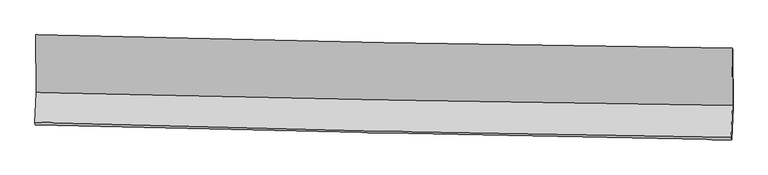
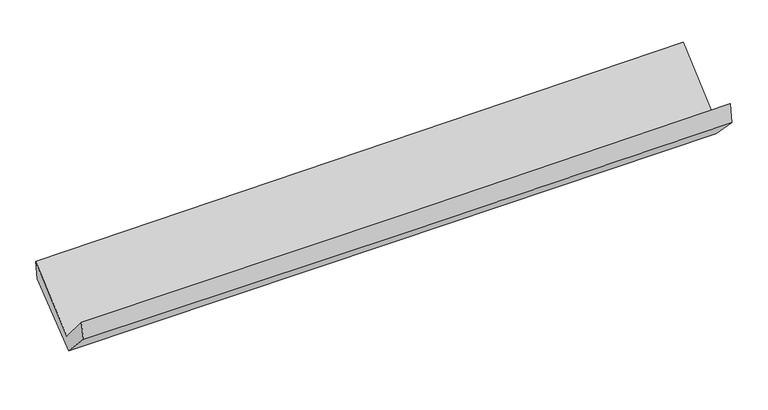
"""IFC4 building model written with IfcOpenShell, lengths in millimetres: proxy geometry."""

from ifc_helpers import new_model, si_unit, frame, origin, place, context, project, spatial, source, transform, mapped, element, save
from ifc_brep_helpers import plane_surface, spline_curve, spline_surface, advanced_brep


def generic_models_05dc35d0(model_context):
    return source(origin(), model_context, "Body", "AdvancedBrep", [
        advanced_brep(
        [(-3021.132029, -1160.2042429, 2166.1877729), (-3016.2398506, -1659.5475493, 1725.0580491), (3009.2804403, -1772.8051978, 1861.0675873), (3004.0882705, -1276.2489697, 2311.3339273), (-3028.5521329, -1918.7914915, 2022.3685257), (2996.2478299, -2050.7699397, 2173.8665401), (-3024.5635049, -1941.6771586, 1868.747373), (3001.0413478, -2070.5678966, 1993.3773499), (-3012.8058306, -1681.9056689, 1591.3740198), (3013.0446109, -1795.0223538, 1715.7592448), (-3016.7901218, -1176.4114952, 2003.6282164), (3008.9798781, -1283.0255046, 2134.3510338)],
        [
            (0, 1),
            (1, 2, spline_curve(3, [(-3016.2398506, -1659.5475493, 1725.0580491), (-2012.25308728, -1684.118815503, 1753.793205299), (-1008.128393486, -1705.842646685, 1779.494988024), (1000.37837532, -1743.595091568, 1824.831389251), (2004.760445165, -1759.623809838, 1844.466119225), (3009.2804403, -1772.8051978, 1861.0675873)], [4, 2, 4], [0.0, 9.88884491674708, 19.777507867576958])),
            (2, 3),
            (3, 0, spline_curve(3, [(3004.0882705, -1276.2489697, 2311.3339273), (1999.529846372, -1264.638418921, 2295.251984195), (995.15356061, -1249.162874115, 2275.115648471), (-1013.253212457, -1210.481440791, 2226.733746384), (-2017.283693357, -1187.275410087, 2198.488030746), (-3021.132029, -1160.2042429, 2166.1877729)], [4, 2, 4], [0.0, 9.888662950829877, 19.777507867576958])),
            (1, 4),
            (4, 5, spline_curve(3, [(-3028.5521329, -1918.7914915, 2022.3685257), (-2024.670957251, -1950.313423732, 2051.118380894), (-1020.659085099, -1977.072651194, 2078.118242995), (987.607573941, -2021.065291845, 2128.617516579), (1991.862356263, -2038.298880643, 2152.1169927), (2996.2478299, -2050.7699397, 2173.8665401)], [4, 2, 4], [0.0, 9.888859390209058, 19.777536814234587])),
            (5, 2),
            (4, 6),
            (6, 7, spline_curve(3, [(-3024.5635049, -1941.6771586, 1868.747373), (-2020.256967661, -1966.71230569, 1885.901617078), (-1015.965341809, -1989.970856692, 1904.864682404), (992.569608783, -2032.934370616, 1946.40807477), (1996.812933568, -2052.639399117, 1968.988334765), (3001.0413478, -2070.5678966, 1993.3773499)], [4, 2, 4], [0.0, 9.88892464702424, 19.77766732666415])),
            (7, 5),
            (6, 8),
            (8, 9, spline_curve(3, [(-3012.8058306, -1681.9056689, 1591.3740198), (-2008.480699348, -1701.445787141, 1610.815901413), (-1004.159310181, -1720.642320255, 1630.902378825), (1004.457503202, -1758.347869429, 1672.3641441), (2008.752927973, -1776.856897697, 1693.739408263), (3013.0446109, -1795.0223538, 1715.7592448)], [4, 2, 4], [0.0, 9.888929825795822, 19.77767768411202])),
            (9, 7),
            (8, 10),
            (10, 11, spline_curve(3, [(-3016.7901218, -1176.4114952, 2003.6282164), (-2012.485552175, -1195.176571234, 2024.21435806), (-1008.181147198, -1213.443687284, 2045.401102653), (1000.408852466, -1248.981671944, 2088.975397035), (2004.694447726, -1266.252559189, 2111.362924937), (3008.9798781, -1283.0255046, 2134.3510338)], [4, 2, 4], [0.0, 9.888810330267125, 19.77743869525348])),
            (11, 9),
            (10, 0),
            (3, 11),
        ],
        [
            spline_surface(3, 3, [[(-3021.132029, -1160.2042429, 2166.1877729), (-2017.283693346, -1187.27540999, 2198.48803063), (-1013.253212519, -1210.48144077, 2226.733746295), (995.153560673, -1249.162874136, 2275.11564856), (1999.529846368, -1264.638418935, 2295.251984335), (3004.0882705, -1276.2489697, 2311.3339273)], [(-3019.501302855, -1326.652011707, 2019.144531629), (-2015.606824637, -1352.889878531, 2050.25642222), (-1011.544939492, -1375.601842746, 2077.654160217), (996.895165537, -1413.973613231, 2125.020895429), (2001.273379292, -1429.63354923, 2144.990029292), (3005.81899378, -1441.767712411, 2161.24514729)], [(-3017.870576745, -1493.099780493, 1872.101290371), (-2013.929955961, -1518.504347053, 1902.024813823), (-1009.836666461, -1540.722244789, 1928.574574163), (998.636770403, -1578.784352393, 1974.926142322), (2003.016912176, -1594.628679493, 1994.72807428), (3007.54971702, -1607.286455089, 2011.15636731)], [(-3016.2398506, -1659.5475493, 1725.0580491), (-2012.253087252, -1684.118815594, 1753.793205412), (-1008.128393434, -1705.842646765, 1779.494988084), (1000.378375267, -1743.595091488, 1824.831389191), (2004.7604451, -1759.623809788, 1844.466119237), (3009.2804403, -1772.8051978, 1861.0675873)]], [4, 4], [4, 2, 4], [0.0, 2.1918770773030016], [0.0, 9.88884491674708, 19.777507867576958]),
            spline_surface(3, 3, [[(-3016.2398506, -1659.5475493, 1725.0580491), (-2012.253087252, -1684.118815594, 1753.793205412), (-1008.128393434, -1705.842646765, 1779.494988084), (1000.378375267, -1743.595091488, 1824.831389191), (2004.7604451, -1759.623809788, 1844.466119237), (3009.2804403, -1772.8051978, 1861.0675873)], [(-3020.343944716, -1745.962196699, 1824.1615413), (-2016.39237722, -1772.850351622, 1852.901597199), (-1012.305290646, -1796.25264823, 1879.036073008), (996.12144152, -1836.085158306, 1926.093431657), (2000.46108215, -1852.515500016, 1947.016410364), (3004.936236844, -1865.460111742, 1965.333904895)], [(-3024.448038784, -1832.376844101, 1923.2650335), (-2020.531667139, -1861.581887653, 1952.009988986), (-1016.482187914, -1886.662649664, 1978.577157996), (991.864507716, -1928.575225092, 2027.355474187), (1996.161719168, -1945.407190318, 2049.566701507), (3000.592033356, -1958.115025758, 2069.600222505)], [(-3028.5521329, -1918.7914915, 2022.3685257), (-2024.670957107, -1950.313423681, 2051.118380773), (-1020.659085126, -1977.072651129, 2078.11824292), (987.607573969, -2021.06529191, 2128.617516653), (1991.862356218, -2038.298880547, 2152.116992634), (2996.2478299, -2050.7699397, 2173.8665401)]], [4, 4], [4, 2, 4], [0.0, 1.3373285589221056], [0.0, 9.888859390209058, 19.777536814234587]),
            spline_surface(3, 3, [[(-3028.5521329, -1918.7914915, 2022.3685257), (-2024.670957107, -1950.313423681, 2051.118380773), (-1020.659085126, -1977.072651129, 2078.11824292), (987.607573969, -2021.06529191, 2128.617516653), (1991.862356218, -2038.298880547, 2152.116992634), (2996.2478299, -2050.7699397, 2173.8665401)], [(-3027.222590243, -1926.420047215, 1971.161474804), (-2023.199627324, -1955.779717727, 1996.046126158), (-1019.09450397, -1981.372052982, 2020.367056119), (989.261585545, -2025.021651485, 2067.881036006), (1993.512548626, -2043.079053406, 2091.074106672), (2997.845669174, -2057.369258688, 2113.703476697)], [(-3025.893047557, -1934.048602885, 1919.954423896), (-2021.728297511, -1961.246011727, 1940.973871532), (-1017.529922847, -1985.671454827, 1962.61586929), (990.915597088, -2028.978011052, 2007.144555333), (1995.162741112, -2047.859226202, 2030.031220718), (2999.443508526, -2063.968577612, 2053.540413303)], [(-3024.5635049, -1941.6771586, 1868.747373), (-2020.256967728, -1966.712305773, 1885.901616917), (-1015.96534169, -1989.97085668, 1904.864682488), (992.569608664, -2032.934370628, 1946.408074686), (1996.81293352, -2052.639399061, 1968.988334756), (3001.0413478, -2070.5678966, 1993.3773499)]], [4, 4], [4, 2, 4], [0.0, 0.5847366174774211], [0.0, 9.88892464702424, 19.77766732666415]),
            spline_surface(3, 3, [[(-3024.5635049, -1941.6771586, 1868.747373), (-2020.256967728, -1966.712305773, 1885.901616917), (-1015.96534169, -1989.97085668, 1904.864682488), (992.569608664, -2032.934370628, 1946.408074686), (1996.81293352, -2052.639399061, 1968.988334756), (3001.0413478, -2070.5678966, 1993.3773499)], [(-3020.644280125, -1855.086662019, 1776.289588602), (-2016.331544966, -1878.290132911, 1794.206378375), (-1012.029997927, -1900.194677899, 1813.543914577), (996.532240207, -1941.405536858, 1855.060097836), (2000.792931705, -1960.711898644, 1877.23869262), (3005.042435503, -1978.719382317, 1900.837981534)], [(-3016.725055375, -1768.496165481, 1683.831804198), (-2012.40612223, -1789.867960093, 1702.511139827), (-1008.094654099, -1810.418499132, 1722.223146682), (1000.494871814, -1849.876703103, 1763.712121004), (2004.77292988, -1868.784398275, 1785.489050482), (3009.043523197, -1886.870868083, 1808.298613166)], [(-3012.8058306, -1681.9056689, 1591.3740198), (-2008.480699467, -1701.44578723, 1610.815901285), (-1004.159310336, -1720.64232035, 1630.90237877), (1004.457503357, -1758.347869334, 1672.364144154), (2008.752928064, -1776.856897858, 1693.739408345), (3013.0446109, -1795.0223538, 1715.7592448)]], [4, 4], [4, 2, 4], [0.0, 1.26718135024509], [0.0, 9.888929825795822, 19.77767768411202]),
            spline_surface(3, 3, [[(-3012.8058306, -1681.9056689, 1591.3740198), (-2008.480699467, -1701.44578723, 1610.815901285), (-1004.159310336, -1720.64232035, 1630.90237877), (1004.457503357, -1758.347869334, 1672.364144154), (2008.752928064, -1776.856897858, 1693.739408345), (3013.0446109, -1795.0223538, 1715.7592448)], [(-3014.133927644, -1513.407611002, 1728.792085322), (-2009.815650374, -1532.689381906, 1748.615386825), (-1005.499922672, -1551.576109303, 1769.06862004), (1003.107953108, -1588.559136893, 1811.234561828), (2007.400101289, -1606.65545164, 1832.947247232), (3011.689699987, -1624.356737402, 1855.289841151)], [(-3015.462024756, -1344.909553098, 1866.210150878), (-2011.150601349, -1363.932976576, 1886.4148724), (-1006.840535008, -1382.50989826, 1907.234861277), (1001.75840286, -1418.770404456, 1950.104979468), (2006.047274452, -1436.454005415, 1972.155086065), (3010.334789013, -1453.691120998, 1994.820437449)], [(-3016.7901218, -1176.4114952, 2003.6282164), (-2012.485552255, -1195.176571252, 2024.21435794), (-1008.181147344, -1213.443687212, 2045.401102547), (1000.408852612, -1248.981672015, 2088.975397141), (2004.694447677, -1266.252559198, 2111.362924952), (3008.9798781, -1283.0255046, 2134.3510338)]], [4, 4], [4, 2, 4], [0.0, 2.154023705604228], [0.0, 9.888810330267125, 19.77743869525348]),
            spline_surface(3, 3, [[(-3016.7901218, -1176.4114952, 2003.6282164), (-2012.485552255, -1195.176571252, 2024.21435794), (-1008.181147344, -1213.443687212, 2045.401102547), (1000.408852612, -1248.981672015, 2088.975397141), (2004.694447677, -1266.252559198, 2111.362924952), (3008.9798781, -1283.0255046, 2134.3510338)], [(-3018.237424216, -1171.009077758, 2057.814735244), (-2014.084932635, -1192.542850823, 2082.305582181), (-1009.871835743, -1212.456271747, 2105.845317145), (998.657088625, -1249.042072737, 2151.022147629), (2002.972913885, -1265.714512451, 2172.65927808), (3007.349342211, -1280.76665964, 2193.345331633)], [(-3019.684726584, -1165.606660342, 2112.001254056), (-2015.684312966, -1189.909130419, 2140.39680639), (-1011.56252412, -1211.468856236, 2166.289531697), (996.90532466, -1249.102473414, 2213.068898072), (2001.25138016, -1265.176465682, 2233.955631208), (3005.718806389, -1278.50781466, 2252.339629467)], [(-3021.132029, -1160.2042429, 2166.1877729), (-2017.283693346, -1187.27540999, 2198.48803063), (-1013.253212519, -1210.48144077, 2226.733746295), (995.153560673, -1249.162874136, 2275.11564856), (1999.529846368, -1264.638418935, 2295.251984335), (3004.0882705, -1276.2489697, 2311.3339273)]], [4, 4], [4, 2, 4], [0.0, 0.6030649874203835], [0.0, 9.888754291145426, 19.777326618041265]),
            plane_surface(frame((3005.4470629, -1708.0733104, 2031.6259472), z_axis=(0.9994877808204583, -0.015123573955523831, 0.028203785231906354), x_axis=(-0.0061461666511324784, 0.7741758591168225, 0.6329407269217446))),
            plane_surface(frame((-3020.0139116, -1589.7562677, 1896.2273261), z_axis=(-0.9994877808204581, 0.015123573955577469, -0.028203785231890238), x_axis=(0.02656849034594686, -0.09917352036028353, -0.9947154005946052))),
        ],
        [
            (0, [[1, 2, 3, 4]]),
            (1, [[5, 6, 7, -2]]),
            (2, [[8, 9, 10, -6]]),
            (3, [[11, 12, 13, -9]]),
            (4, [[14, 15, 16, -12]]),
            (5, [[17, -4, 18, -15]]),
            (6, [[-16, -18, -3, -7, -10, -13]]),
            (7, [[-17, -14, -11, -8, -5, -1]]),
        ],
    ),
    ])


if __name__ == "__main__":
    model = new_model("IFC4")
    model_context = context("Model", 3, world=origin())
    ifc_project = project(units=[si_unit("LENGTHUNIT", "METRE", prefix="MILLI")], contexts=[model_context])
    site = spatial("IfcSite", under=ifc_project)
    building = spatial("IfcBuilding", under=site)
    placement = place(None, origin())
    generic_models_shape = generic_models_05dc35d0(model_context)
    element("IfcBuildingElementProxy", 1, Name="Generic Models", at=placement, inside=building, context=model_context, shape_type="MappedRepresentation", body=[
        mapped(generic_models_shape, transform((0.0, 0.0, 0.0), x_axis=(1.0, 0.0, 0.0), y_axis=(0.0, 1.0, 0.0), z_axis=(0.0, 0.0, 1.0))),
    ])
    save(model, "model.ifc")
